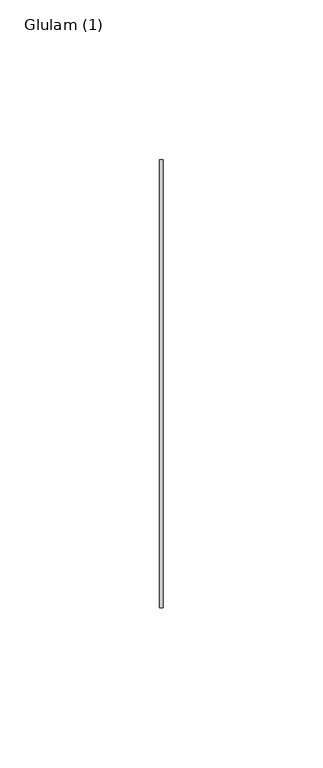
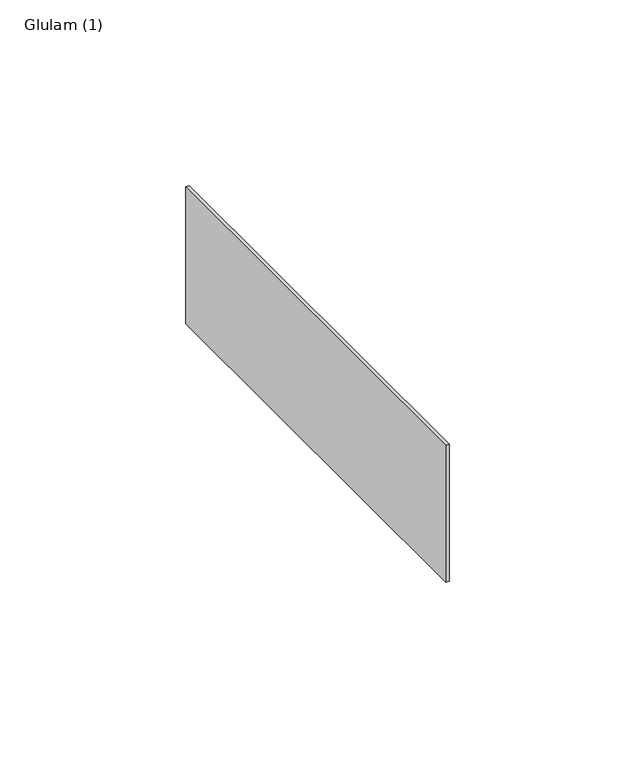
"""IFC4 building model written with IfcOpenShell, lengths in millimetres: beam geometry, Glulam (1)."""

import ifcopenshell
import ifcopenshell.guid

model = None  # the IFC model being written
_history = None  # IfcOwnerHistory: only IFC2X3 demands one
_inside = {}  # id of a spatial element -> (the spatial element, [elements in it])
_under = {}  # id of a project, library or spatial element -> (it, [spatial elements below it])
_declared = {}  # id of a project -> (the project, [libraries it declares])
_typed = {}  # id of a type object -> (the type object, [elements of that type])
_made_of = {}  # id of a material, layer set ... -> (it, [elements and type objects made of it])


def new_model(schema):
    """Start an empty IFC model of exactly this schema.

    Asked for "IFC4X3", IfcOpenShell would pick the latest addendum, in which some entities
    have other attributes; the version numbers below select the first issue.
    IFC2X3 requires an IfcOwnerHistory on every rooted entity: one is made here for all.
    """
    global model, _history
    if schema == "IFC4X3":
        model = ifcopenshell.file(schema_version=(4, 3, 0, 0))
    else:
        model = ifcopenshell.file(schema=schema)
    _inside.clear()
    _under.clear()
    _declared.clear()
    _typed.clear()
    _made_of.clear()
    _history = None
    if model.schema == "IFC2X3":
        org = make("IfcOrganization", Name="unknown")
        user = make(
            "IfcPersonAndOrganization",
            ThePerson=make("IfcPerson", FamilyName="unknown"),
            TheOrganization=org,
        )
        app = make(
            "IfcApplication",
            ApplicationDeveloper=org,
            Version="unknown",
            ApplicationFullName="unknown",
            ApplicationIdentifier="unknown",
        )
        _history = make(
            "IfcOwnerHistory",
            OwningUser=user,
            OwningApplication=app,
            ChangeAction="ADDED",
            CreationDate=0,
        )
    return model


def make(cls, **values):
    """One entity of the class cls with the attributes given. An attribute that is None is left unset."""
    return model.create_entity(
        cls, **{name: value for name, value in values.items() if value is not None}
    )


def rooted(cls, **values):
    """An entity with a GlobalId (a new one), such as an element, a storey or a relation."""
    return make(cls, GlobalId=ifcopenshell.guid.new(), OwnerHistory=_history, **values)


def si_unit(unit_type, name, prefix=None):
    """IfcSIUnit, for example si_unit("LENGTHUNIT", "METRE", prefix="MILLI")."""
    return make("IfcSIUnit", UnitType=unit_type, Prefix=prefix, Name=name)


def assignment(units):
    """IfcUnitAssignment: the units of a project."""
    return None if units is None else make("IfcUnitAssignment", Units=units)


def point(xyz):
    """IfcCartesianPoint."""
    return None if xyz is None else make("IfcCartesianPoint", Coordinates=xyz)


def direction(xyz):
    """IfcDirection."""
    return None if xyz is None else make("IfcDirection", DirectionRatios=xyz)


def frame(location, z_axis=None, x_axis=None):
    """IfcAxis2Placement3D, a coordinate frame: its origin and axes. An axis left out is left unset."""
    return make(
        "IfcAxis2Placement3D",
        Location=point(location),
        Axis=direction(z_axis),
        RefDirection=direction(x_axis),
    )


def origin():
    """The frame at (0, 0, 0) with its axes left unset."""
    return frame((0.0, 0.0, 0.0))


def place(relative_to, where):
    """IfcLocalPlacement: puts the frame where relative to a parent placement (None: the world)."""
    return make(
        "IfcLocalPlacement", PlacementRelTo=relative_to, RelativePlacement=where
    )


def context(
    kind, dimensions, precision=None, world=None, true_north=None, identifier=None
):
    """IfcGeometricRepresentationContext, for example the 3D "Model" context."""
    return make(
        "IfcGeometricRepresentationContext",
        ContextIdentifier=identifier,
        ContextType=kind,
        CoordinateSpaceDimension=dimensions,
        Precision=precision,
        WorldCoordinateSystem=world,
        TrueNorth=true_north,
    )


def project(units=None, contexts=None):
    """IfcProject with its units and contexts."""
    return rooted(
        "IfcProject",
        Name="project",
        RepresentationContexts=contexts,
        UnitsInContext=assignment(units),
    )


def spatial(cls, under=None, at=None, **own):
    """A site, building, storey or space (cls), placed at a placement, below another one or the project."""
    s = rooted(cls, ObjectPlacement=at, **own)
    if under is not None:
        _under.setdefault(under.id(), (under, []))[1].append(s)
    return s


def polyline(points):
    """IfcPolyline through the points."""
    return make("IfcPolyline", Points=[point(p) for p in points])


def outline(outer, holes=None, kind="AREA"):
    """IfcArbitraryClosedProfileDef: a profile drawn as a closed curve; with holes, ...WithVoids."""
    if holes is None:
        return make("IfcArbitraryClosedProfileDef", ProfileType=kind, OuterCurve=outer)
    return make(
        "IfcArbitraryProfileDefWithVoids",
        ProfileType=kind,
        OuterCurve=outer,
        InnerCurves=holes,
    )


def extrude(swept, where, along, depth):
    """IfcExtrudedAreaSolid: the profile swept, set in the frame where, extruded along a direction by depth."""
    return make(
        "IfcExtrudedAreaSolid",
        SweptArea=swept,
        Position=where,
        ExtrudedDirection=direction(along),
        Depth=depth,
    )


def shape(context_of_items, identifier, shape_type, items):
    """IfcShapeRepresentation: the items that make up one representation, for example the "Body"."""
    return make(
        "IfcShapeRepresentation",
        ContextOfItems=context_of_items,
        RepresentationIdentifier=identifier,
        RepresentationType=shape_type,
        Items=items,
    )


def source(mapping_origin, context_of_items, identifier, shape_type, items):
    """IfcRepresentationMap: a shape defined once, which mapped items show again and again."""
    return make(
        "IfcRepresentationMap",
        MappingOrigin=mapping_origin,
        MappedRepresentation=shape(context_of_items, identifier, shape_type, items),
    )


def transform(
    local_origin,
    x_axis=None,
    y_axis=None,
    z_axis=None,
    scale=None,
    scale2=None,
    scale3=None,
    uniform=True,
):
    """IfcCartesianTransformationOperator3D, or its non-uniform kind. x_axis, y_axis, z_axis: its Axis1, 2, 3."""
    if uniform:
        return make(
            "IfcCartesianTransformationOperator3D",
            Axis1=direction(x_axis),
            Axis2=direction(y_axis),
            LocalOrigin=point(local_origin),
            Scale=scale,
            Axis3=direction(z_axis),
        )
    return make(
        "IfcCartesianTransformationOperator3DnonUniform",
        Axis1=direction(x_axis),
        Axis2=direction(y_axis),
        LocalOrigin=point(local_origin),
        Scale=scale,
        Axis3=direction(z_axis),
        Scale2=scale2,
        Scale3=scale3,
    )


def mapped(mapping_source, mapping_target):
    """IfcMappedItem: shows the shape of a source again, moved by a transform."""
    return make(
        "IfcMappedItem", MappingSource=mapping_source, MappingTarget=mapping_target
    )


def made_of(thing, what):
    """Note that an element or type object is made of a material, layer set ...; save() writes the relation."""
    if what is not None:
        _made_of.setdefault(what.id(), (what, []))[1].append(thing)
    return thing


def element(
    cls,
    number,
    at=None,
    inside=None,
    cuts=None,
    type_object=None,
    material=None,
    context=None,
    identifier="Body",
    shape_type=None,
    held_by="IfcProductDefinitionShape",
    body=None,
    shapes=None,
    **own,
):
    """One element of the class cls, such as IfcWall. Its Tag is "e" and its number.

    at: its placement. inside: the storey or other place that contains it. cuts: it is an
    opening in that element (IfcRelVoidsElement). A single representation is given by context,
    identifier, shape_type and body (its items); several are given by shapes. held_by: the class
    of the entity that holds the representations. save() writes the other relations.
    """
    e = rooted(cls, Tag="e%d" % number, ObjectPlacement=at, **own)
    if body is not None:
        shapes = [shape(context, identifier, shape_type, body)]
    if shapes is not None:
        e.Representation = make(held_by, Representations=shapes)
    if inside is not None:
        _inside.setdefault(inside.id(), (inside, []))[1].append(e)
    if cuts is not None:
        rooted(
            "IfcRelVoidsElement", RelatingBuildingElement=cuts, RelatedOpeningElement=e
        )
    if type_object is not None:
        _typed.setdefault(type_object.id(), (type_object, []))[1].append(e)
    return made_of(e, material)


def aggregate(whole, parts):
    """IfcRelAggregates: a whole, such as a stair, and the parts it consists of."""
    return rooted("IfcRelAggregates", RelatingObject=whole, RelatedObjects=parts)


def save(model, path):
    """Write the relations noted so far, then the file.

    IfcRelAggregates (storeys below a building ...), IfcRelContainedInSpatialStructure (elements
    in a storey), IfcRelDefinesByType, IfcRelAssociatesMaterial and IfcRelDeclares: one each for
    every whole, place, type object, material and project.
    """
    for whole, parts in _under.values():
        aggregate(whole, parts)
    for where, things in _inside.values():
        rooted(
            "IfcRelContainedInSpatialStructure",
            RelatedElements=things,
            RelatingStructure=where,
        )
    for kind, things in _typed.values():
        rooted("IfcRelDefinesByType", RelatedObjects=things, RelatingType=kind)
    for what, things in _made_of.values():
        rooted("IfcRelAssociatesMaterial", RelatedObjects=things, RelatingMaterial=what)
    for by, libraries in _declared.values():
        rooted("IfcRelDeclares", RelatingContext=by, RelatedDefinitions=libraries)
    model.write(path)


def glulam_1_77bd6563(model_context):
    return source(origin(), model_context, "Body", "SweptSolid", [
        extrude(outline(polyline([(-30.0, -70.0), (-30.0, 70.0), (-29.0, 70.0), (-29.0, -70.0), (-30.0, -70.0)])), frame((0.0, 0.0, -22.5), z_axis=(0.0, 0.0, 1.0), x_axis=(1.0, 0.0, 0.0)), (0.0, 0.0, 1.0), 45.0),
    ])


if __name__ == "__main__":
    model = new_model("IFC4")
    model_context = context("Model", 3, world=origin())
    ifc_project = project(units=[si_unit("LENGTHUNIT", "METRE", prefix="MILLI")], contexts=[model_context])
    site = spatial("IfcSite", under=ifc_project)
    building = spatial("IfcBuilding", under=site)
    placement = place(None, origin())
    glulam_1_shape = glulam_1_77bd6563(model_context)
    element("IfcBeam", 1, ObjectType="Glulam (1)", at=placement, inside=building, context=model_context, shape_type="MappedRepresentation", body=[
        mapped(glulam_1_shape, transform((0.0, 0.0, 0.0), x_axis=(1.0, 0.0, 0.0), y_axis=(0.0, 1.0, 0.0), z_axis=(0.0, 0.0, 1.0))),
    ])
    save(model, "model.ifc")
